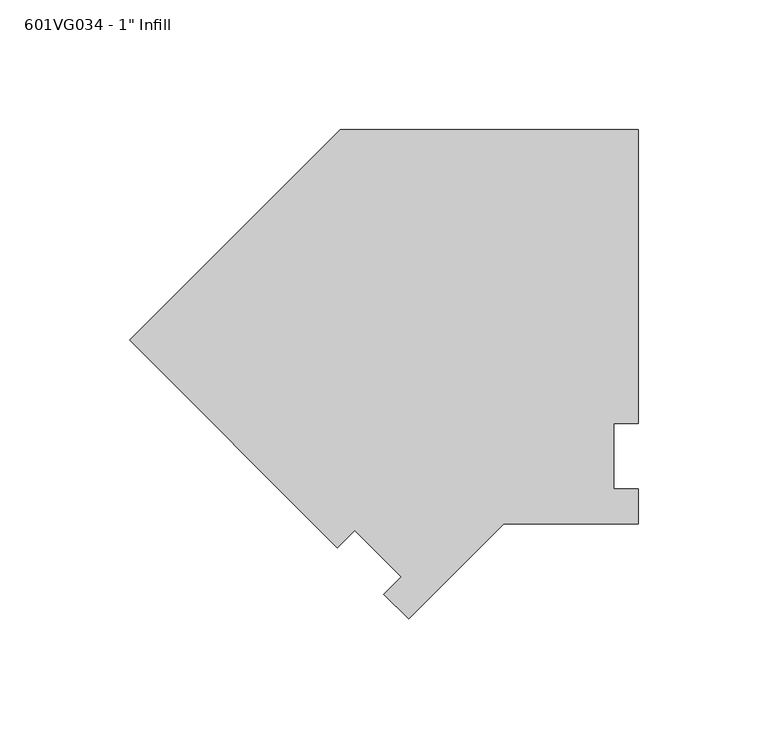
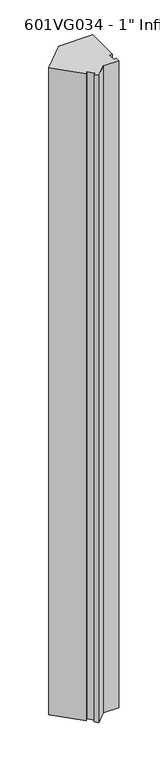
"""IFC4 building model written with IfcOpenShell, lengths in millimetres: proxy geometry."""

from ifc_helpers import new_model, si_unit, frame, origin, place, context, project, spatial, polyline, outline, extrude, source, transform, mapped, element, save


def proxy_ed38e864(model_context):
    return source(origin(), model_context, "Body", "SweptSolid", [
        extrude(outline(polyline([(-133.6599115, 44.8226789), (-52.2763404, 126.20625), (62.8174096, 126.20625), (62.8174096, 12.7), (53.2924096, 12.7), (53.2924096, -12.7), (62.8174096, -12.7), (62.8174096, -26.19375), (10.8498065, -26.19375), (-25.8968381, -62.9403946), (-35.4383602, -53.3988724), (-28.7031681, -46.6636803), (-46.6636803, -28.7031681), (-53.3988724, -35.4383602), (-133.6599115, 44.8226789)])), frame((0.0, 0.0, 63.5), z_axis=(0.0, 0.0, 1.0), x_axis=(1.0, 0.0, 0.0)), (0.0, 0.0, 1.0), 2324.1),
    ])


if __name__ == "__main__":
    model = new_model("IFC4")
    model_context = context("Model", 3, world=origin())
    ifc_project = project(units=[si_unit("LENGTHUNIT", "METRE", prefix="MILLI")], contexts=[model_context])
    site = spatial("IfcSite", under=ifc_project)
    building = spatial("IfcBuilding", under=site)
    placement = place(None, origin())
    proxy_shape = proxy_ed38e864(model_context)
    element("IfcBuildingElementProxy", 1, Name="601VG034 - 1\" Infill", ObjectType="601VG034 - 1\" Infill", at=placement, inside=building, context=model_context, shape_type="MappedRepresentation", body=[
        mapped(proxy_shape, transform((0.0, 0.0, 0.0), x_axis=(1.0, 0.0, 0.0), y_axis=(0.0, 1.0, 0.0), z_axis=(0.0, 0.0, 1.0))),
    ])
    save(model, "model.ifc")
